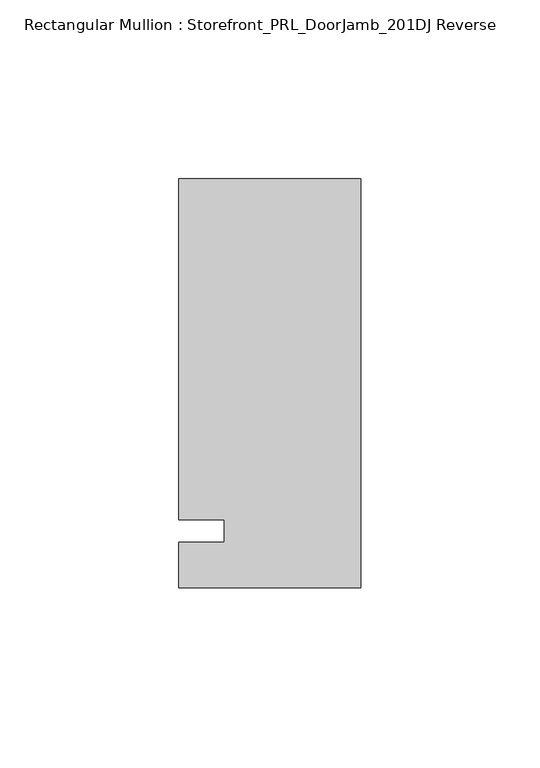
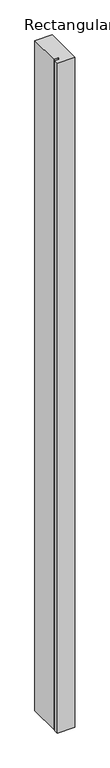
"""IFC4 building model written with IfcOpenShell, lengths in millimetres: member geometry, Rectangular Mullion : Storefront_PRL_DoorJamb_201DJ Reverse."""

from ifc_helpers import new_model, si_unit, frame, origin, place, context, project, spatial, polyline, outline, extrude, source, transform, mapped, element, save


def rectangular_mullion_storefront_prl_doorjamb_201dj_reverse_6810465f(model_context):
    return source(origin(), model_context, "Body", "SweptSolid", [
        extrude(outline(polyline([(-12.7, 3.175), (-25.4, 3.175), (-25.4, 98.425), (25.4, 98.425), (25.4, -15.875), (-25.4, -15.875), (-25.4, -3.175), (-12.7, -3.175), (-12.7, 3.175)])), frame((0.0, 0.0, -2072.48125), z_axis=(0.0, 0.0, 1.0), x_axis=(1.0, 0.0, 0.0)), (0.0, 0.0, 1.0), 2072.48125),
    ])


if __name__ == "__main__":
    model = new_model("IFC4")
    model_context = context("Model", 3, world=origin())
    ifc_project = project(units=[si_unit("LENGTHUNIT", "METRE", prefix="MILLI")], contexts=[model_context])
    site = spatial("IfcSite", under=ifc_project)
    building = spatial("IfcBuilding", under=site)
    placement = place(None, origin())
    rectangular_mullion_storefront_prl_doorjamb_201dj_reverse_shape = rectangular_mullion_storefront_prl_doorjamb_201dj_reverse_6810465f(model_context)
    element("IfcMember", 1, ObjectType="Rectangular Mullion : Storefront_PRL_DoorJamb_201DJ Reverse", at=placement, inside=building, context=model_context, shape_type="MappedRepresentation", body=[
        mapped(rectangular_mullion_storefront_prl_doorjamb_201dj_reverse_shape, transform((0.0, 0.0, 0.0), x_axis=(1.0, 0.0, 0.0), y_axis=(0.0, 1.0, 0.0), z_axis=(0.0, 0.0, 1.0))),
    ])
    save(model, "model.ifc")
